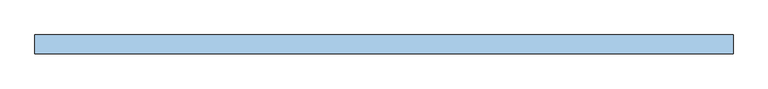
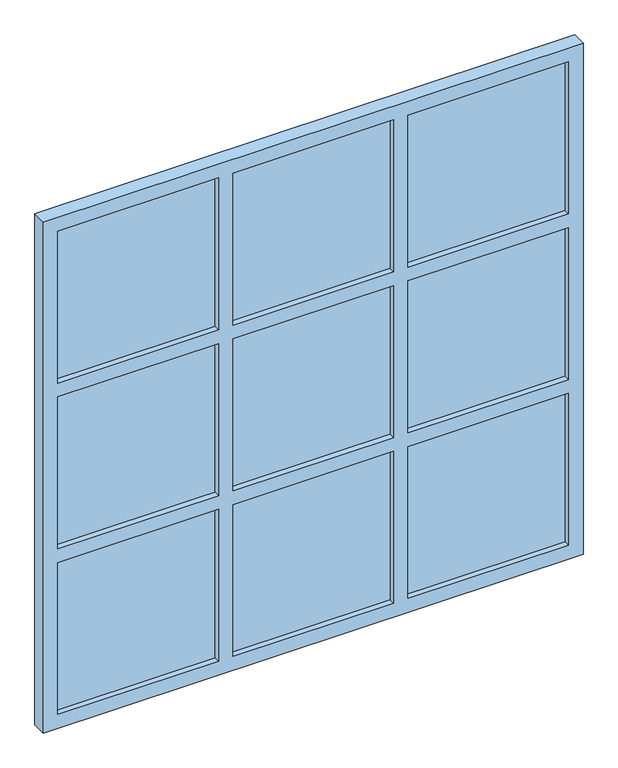
"""IFC4 building model written with IfcOpenShell, lengths in millimetres: window geometry."""

from ifc_helpers import new_model, si_unit, frame, origin, place, context, project, spatial, polyline, outline, extrude, source, transform, mapped, element, save


def window_40f19389(model_context):
    return source(origin(), model_context, "Body", "SweptSolid", [
        extrude(outline(polyline([(2650.0, -925.0), (800.0, -925.0), (800.0, 925.0), (2650.0, 925.0), (2650.0, -925.0)]), holes=[polyline([(1400.0, 875.0), (850.0, 875.0), (850.0, 325.0), (1400.0, 325.0), (1400.0, 875.0)]), polyline([(1400.0, 275.0), (850.0, 275.0), (850.0, -275.0), (1400.0, -275.0), (1400.0, 275.0)]), polyline([(1400.0, -325.0), (850.0, -325.0), (850.0, -875.0), (1400.0, -875.0), (1400.0, -325.0)]), polyline([(2600.0, 875.0), (2050.0, 875.0), (2050.0, 325.0), (2600.0, 325.0), (2600.0, 875.0)]), polyline([(2600.0, -325.0), (2050.0, -325.0), (2050.0, -875.0), (2600.0, -875.0), (2600.0, -325.0)]), polyline([(2600.0, 275.0), (2050.0, 275.0), (2050.0, -275.0), (2600.0, -275.0), (2600.0, 275.0)]), polyline([(2000.0, 875.0), (1450.0, 875.0), (1450.0, 325.0), (2000.0, 325.0), (2000.0, 875.0)]), polyline([(2000.0, 275.0), (1450.0, 275.0), (1450.0, -275.0), (2000.0, -275.0), (2000.0, 275.0)]), polyline([(2000.0, -325.0), (1450.0, -325.0), (1450.0, -875.0), (2000.0, -875.0), (2000.0, -325.0)])]), frame((0.0, -125.0, 0.0), z_axis=(0.0, 1.0, 0.0), x_axis=(0.0, 0.0, 1.0)), (0.0, 0.0, 1.0), 50.0),
        extrude(outline(polyline([(875.0, -105.0), (325.0, -105.0), (325.0, -95.0), (875.0, -95.0), (875.0, -105.0)])), frame((0.0, 0.0, 2050.0), z_axis=(0.0, 0.0, 1.0), x_axis=(1.0, 0.0, 0.0)), (0.0, 0.0, 1.0), 550.0),
        extrude(outline(polyline([(275.0, -105.0), (-275.0, -105.0), (-275.0, -95.0), (275.0, -95.0), (275.0, -105.0)])), frame((0.0, 0.0, 2050.0), z_axis=(0.0, 0.0, 1.0), x_axis=(1.0, 0.0, 0.0)), (0.0, 0.0, 1.0), 550.0),
        extrude(outline(polyline([(-325.0, -105.0), (-875.0, -105.0), (-875.0, -95.0), (-325.0, -95.0), (-325.0, -105.0)])), frame((0.0, 0.0, 2050.0), z_axis=(0.0, 0.0, 1.0), x_axis=(1.0, 0.0, 0.0)), (0.0, 0.0, 1.0), 550.0),
        extrude(outline(polyline([(875.0, -105.0), (325.0, -105.0), (325.0, -95.0), (875.0, -95.0), (875.0, -105.0)])), frame((0.0, 0.0, 1450.0), z_axis=(0.0, 0.0, 1.0), x_axis=(1.0, 0.0, 0.0)), (0.0, 0.0, 1.0), 550.0),
        extrude(outline(polyline([(275.0, -105.0), (-275.0, -105.0), (-275.0, -95.0), (275.0, -95.0), (275.0, -105.0)])), frame((0.0, 0.0, 1450.0), z_axis=(0.0, 0.0, 1.0), x_axis=(1.0, 0.0, 0.0)), (0.0, 0.0, 1.0), 550.0),
        extrude(outline(polyline([(-325.0, -105.0), (-875.0, -105.0), (-875.0, -95.0), (-325.0, -95.0), (-325.0, -105.0)])), frame((0.0, 0.0, 1450.0), z_axis=(0.0, 0.0, 1.0), x_axis=(1.0, 0.0, 0.0)), (0.0, 0.0, 1.0), 550.0),
        extrude(outline(polyline([(875.0, -105.0), (325.0, -105.0), (325.0, -95.0), (875.0, -95.0), (875.0, -105.0)])), frame((0.0, 0.0, 850.0), z_axis=(0.0, 0.0, 1.0), x_axis=(1.0, 0.0, 0.0)), (0.0, 0.0, 1.0), 550.0),
        extrude(outline(polyline([(275.0, -105.0), (-275.0, -105.0), (-275.0, -95.0), (275.0, -95.0), (275.0, -105.0)])), frame((0.0, 0.0, 850.0), z_axis=(0.0, 0.0, 1.0), x_axis=(1.0, 0.0, 0.0)), (0.0, 0.0, 1.0), 550.0),
        extrude(outline(polyline([(-325.0, -105.0), (-875.0, -105.0), (-875.0, -95.0), (-325.0, -95.0), (-325.0, -105.0)])), frame((0.0, 0.0, 850.0), z_axis=(0.0, 0.0, 1.0), x_axis=(1.0, 0.0, 0.0)), (0.0, 0.0, 1.0), 550.0),
    ])


if __name__ == "__main__":
    model = new_model("IFC4")
    model_context = context("Model", 3, world=origin())
    ifc_project = project(units=[si_unit("LENGTHUNIT", "METRE", prefix="MILLI")], contexts=[model_context])
    site = spatial("IfcSite", under=ifc_project)
    building = spatial("IfcBuilding", under=site)
    placement = place(None, origin())
    window_shape = window_40f19389(model_context)
    element("IfcWindow", 1, at=placement, inside=building, context=model_context, shape_type="MappedRepresentation", body=[
        mapped(window_shape, transform((0.0, 0.0, 0.0), x_axis=(1.0, 0.0, 0.0), y_axis=(0.0, 1.0, 0.0), z_axis=(0.0, 0.0, 1.0))),
    ])
    save(model, "model.ifc")
